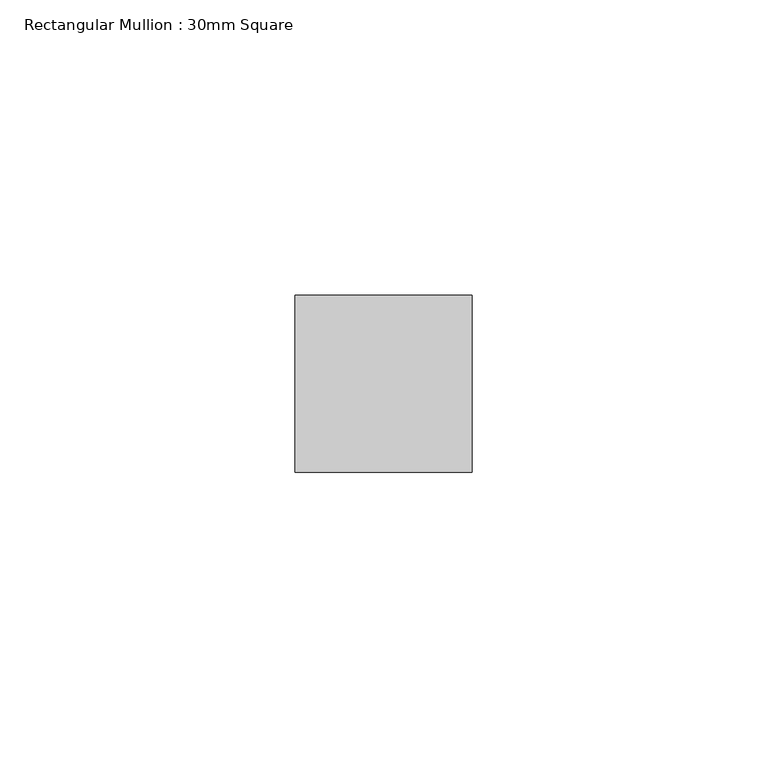
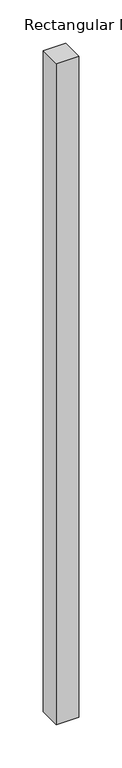
"""IFC4 building model written with IfcOpenShell, lengths in millimetres: member geometry, Rectangular Mullion : 30mm Square."""

from ifc_helpers import new_model, si_unit, frame, origin, place, context, project, spatial, polyline, outline, extrude, source, transform, mapped, element, save


def rectangular_mullion_30mm_square_cb51a800(model_context):
    return source(origin(), model_context, "Body", "SweptSolid", [
        extrude(outline(polyline([(0.0, 15.0), (0.0, -15.0), (-30.0, -15.0), (-30.0, 15.0), (0.0, 15.0)])), frame((0.0, 0.0, -932.8236774), z_axis=(0.0, 0.0, 1.0), x_axis=(1.0, 0.0, 0.0)), (0.0, 0.0, 1.0), 932.8236774),
    ])


if __name__ == "__main__":
    model = new_model("IFC4")
    model_context = context("Model", 3, world=origin())
    ifc_project = project(units=[si_unit("LENGTHUNIT", "METRE", prefix="MILLI")], contexts=[model_context])
    site = spatial("IfcSite", under=ifc_project)
    building = spatial("IfcBuilding", under=site)
    placement = place(None, origin())
    rectangular_mullion_30mm_square_shape = rectangular_mullion_30mm_square_cb51a800(model_context)
    element("IfcMember", 1, ObjectType="Rectangular Mullion : 30mm Square", at=placement, inside=building, context=model_context, shape_type="MappedRepresentation", body=[
        mapped(rectangular_mullion_30mm_square_shape, transform((0.0, 0.0, 0.0), x_axis=(1.0, 0.0, 0.0), y_axis=(0.0, 1.0, 0.0), z_axis=(0.0, 0.0, 1.0))),
    ])
    save(model, "model.ifc")
